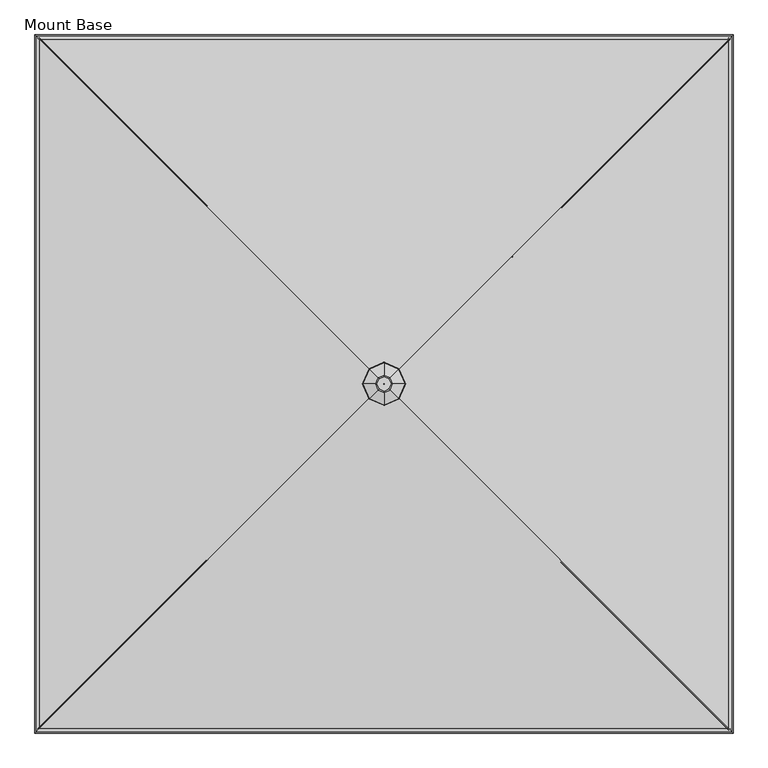
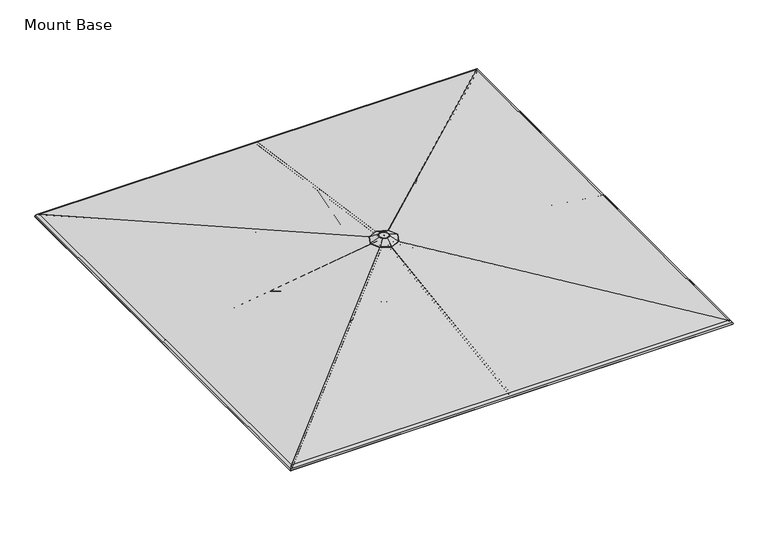
"""IFC4 building model written with IfcOpenShell, lengths in millimetres: furniture geometry, Mount Base."""

from ifc_helpers import new_model, si_unit, point, frame, frame_2d, origin, place, context, project, spatial, polyline, circle_curve, ellipse_curve, trimmed, segment, composite_curve, outline, extrude, source, transform, mapped, element, save
from ifc_brep_helpers import plane_surface, cylinder_surface, revolved_surface, advanced_brep


def mount_base_e68be11f(model_context):
    return source(origin(), model_context, "Body", "SolidModel", [
        extrude(outline(composite_curve([segment(polyline([(12.9834408, -8.4804821), (12.9834408, -22.8946349)]), True, "CONTINUOUS"), segment(trimmed(circle_curve(frame_2d((4.0299408, -22.8946349)), 8.9535), [point((12.9834408, -22.8946349))], [point((-4.9235592, -22.8946349))], False, "CARTESIAN"), True, "CONTINUOUS"), segment(polyline([(-4.9235592, -22.8946349), (-4.9235592, -8.4804821)]), True, "CONTINUOUS"), segment(trimmed(circle_curve(frame_2d((4.0299408, -8.4804821)), 8.9535), [point((-4.9235592, -8.4804821))], [point((12.9834408, -8.4804821))], False, "CARTESIAN"), True, "CONTINUOUS")], self_intersect=False)), frame((4.0299408, -69.1305274, 2310.8920368), z_axis=(0.0, -0.9563047559630357, 0.2923717047227364), x_axis=(-1.0, 0.0, 0.0)), (0.0, 0.0, 1.0), 1293.3560002),
        extrude(outline(composite_curve([segment(polyline([(12.9834408, -8.4804821), (12.9834408, -22.8946349)]), True, "CONTINUOUS"), segment(trimmed(circle_curve(frame_2d((4.0299408, -22.8946349)), 8.9535), [point((12.9834408, -22.8946349))], [point((-4.9235592, -22.8946349))], False, "CARTESIAN"), True, "CONTINUOUS"), segment(polyline([(-4.9235592, -22.8946349), (-4.9235592, -8.4804821)]), True, "CONTINUOUS"), segment(trimmed(circle_curve(frame_2d((4.0299408, -8.4804821)), 8.9535), [point((-4.9235592, -8.4804821))], [point((12.9834408, -8.4804821))], False, "CARTESIAN"), True, "CONTINUOUS")], self_intersect=False)), frame((-65.1005867, -8.0598816, 2310.8920368), z_axis=(-0.9563047559630357, 0.0, 0.2923717047227364), x_axis=(0.0, 1.0, 0.0)), (0.0, 0.0, 1.0), 1293.3560002),
        extrude(outline(composite_curve([segment(polyline([(12.9834408, -8.4804821), (12.9834408, -22.8946349)]), True, "CONTINUOUS"), segment(trimmed(circle_curve(frame_2d((4.0299408, -22.8946349)), 8.9535), [point((12.9834408, -22.8946349))], [point((-4.9235592, -22.8946349))], False, "CARTESIAN"), True, "CONTINUOUS"), segment(polyline([(-4.9235592, -22.8946349), (-4.9235592, -8.4804821)]), True, "CONTINUOUS"), segment(trimmed(circle_curve(frame_2d((4.0299408, -8.4804821)), 8.9535), [point((-4.9235592, -8.4804821))], [point((12.9834408, -8.4804821))], False, "CARTESIAN"), True, "CONTINUOUS")], self_intersect=False)), frame((-4.0299408, 61.0706459, 2310.8920368), z_axis=(0.0, 0.9563047559630357, 0.2923717047227364), x_axis=(1.0, 0.0, 0.0)), (0.0, 0.0, 1.0), 1293.3560002),
        extrude(outline(composite_curve([segment(trimmed(circle_curve(frame_2d((4.0299408, 7.3267917)), 8.9535), [point((12.9834408, 7.3267917))], [point((-4.9235592, 7.3267917))], False, "CARTESIAN"), True, "CONTINUOUS"), segment(polyline([(-4.9235592, 7.3267917), (-4.9235592, 21.7411303)]), True, "CONTINUOUS"), segment(trimmed(circle_curve(frame_2d((4.0299408, 21.7411303)), 8.9535), [point((-4.9235592, 21.7411303))], [point((12.9834408, 21.7411303))], False, "CARTESIAN"), True, "CONTINUOUS"), segment(polyline([(12.9834408, 21.7411303), (12.9834408, 7.3267917)]), True, "CONTINUOUS")], self_intersect=False)), frame((4.0299408, -2495.6912054, 2517.1977127), z_axis=(0.0, 0.9897424604574476, 0.14286308819158905), x_axis=(-1.0, 0.0, 0.0)), (0.0, 0.0, 1.0), 2438.4),
        extrude(outline(composite_curve([segment(trimmed(circle_curve(frame_2d((4.0299408, 7.3267917)), 8.9535), [point((12.9834408, 7.3267917))], [point((-4.9235592, 7.3267917))], False, "CARTESIAN"), True, "CONTINUOUS"), segment(polyline([(-4.9235592, 7.3267917), (-4.9235592, 21.7411303)]), True, "CONTINUOUS"), segment(trimmed(circle_curve(frame_2d((4.0299408, 21.7411303)), 8.9535), [point((-4.9235592, 21.7411303))], [point((12.9834408, 21.7411303))], False, "CARTESIAN"), True, "CONTINUOUS"), segment(polyline([(12.9834408, 21.7411303), (12.9834408, 7.3267917)]), True, "CONTINUOUS")], self_intersect=False)), frame((-2491.6612646, -8.0598816, 2517.1977127), z_axis=(0.9897424604574476, 0.0, 0.14286308819158905), x_axis=(0.0, 1.0, 0.0)), (0.0, 0.0, 1.0), 2438.4),
        extrude(outline(composite_curve([segment(trimmed(circle_curve(frame_2d((4.0299408, 7.3267917)), 8.9535), [point((12.9834408, 7.3267917))], [point((-4.9235592, 7.3267917))], False, "CARTESIAN"), True, "CONTINUOUS"), segment(polyline([(-4.9235592, 7.3267917), (-4.9235592, 21.7411303)]), True, "CONTINUOUS"), segment(trimmed(circle_curve(frame_2d((4.0299408, 21.7411303)), 8.9535), [point((-4.9235592, 21.7411303))], [point((12.9834408, 21.7411303))], False, "CARTESIAN"), True, "CONTINUOUS"), segment(polyline([(12.9834408, 21.7411303), (12.9834408, 7.3267917)]), True, "CONTINUOUS")], self_intersect=False)), frame((-4.0299408, 2487.6313238, 2517.1977127), z_axis=(0.0, -0.9897424604574476, 0.14286308819158905), x_axis=(1.0, 0.0, 0.0)), (0.0, 0.0, 1.0), 2438.4),
        extrude(outline(composite_curve([segment(trimmed(circle_curve(frame_2d((4.0299408, 7.3267917)), 8.9535), [point((12.9834408, 7.3267917))], [point((-4.9235592, 7.3267917))], False, "CARTESIAN"), True, "CONTINUOUS"), segment(polyline([(-4.9235592, 7.3267917), (-4.9235592, 21.7411303)]), True, "CONTINUOUS"), segment(trimmed(circle_curve(frame_2d((4.0299408, 21.7411303)), 8.9535), [point((-4.9235592, 21.7411303))], [point((12.9834408, 21.7411303))], False, "CARTESIAN"), True, "CONTINUOUS"), segment(polyline([(12.9834408, 21.7411303), (12.9834408, 7.3267917)]), True, "CONTINUOUS")], self_intersect=False)), frame((2491.6612646, 0.0, 2517.1977127), z_axis=(-0.9897424604574476, 0.0, 0.14286308819158905), x_axis=(0.0, -1.0, 0.0)), (0.0, 0.0, 1.0), 2438.4),
        extrude(outline(composite_curve([segment(polyline([(12.9834408, -8.4804821), (12.9834408, -22.8946349)]), True, "CONTINUOUS"), segment(trimmed(circle_curve(frame_2d((4.0299408, -22.8946349)), 8.9535), [point((12.9834408, -22.8946349))], [point((-4.9235592, -22.8946349))], False, "CARTESIAN"), True, "CONTINUOUS"), segment(polyline([(-4.9235592, -22.8946349), (-4.9235592, -8.4804821)]), True, "CONTINUOUS"), segment(trimmed(circle_curve(frame_2d((4.0299408, -8.4804821)), 8.9535), [point((-4.9235592, -8.4804821))], [point((12.9834408, -8.4804821))], False, "CARTESIAN"), True, "CONTINUOUS")], self_intersect=False)), frame((65.1005867, 0.0, 2310.8920368), z_axis=(0.9563047559630357, 0.0, 0.2923717047227364), x_axis=(0.0, -1.0, 0.0)), (0.0, 0.0, 1.0), 1293.3560002),
        extrude(outline(composite_curve([segment(trimmed(circle_curve(frame_2d((-0.4115857, 9.2017124)), 8.947892), [point((8.536306, 9.1998753))], [point((-9.3594776, 9.2035513))], False, "CARTESIAN"), True, "CONTINUOUS"), segment(polyline([(-9.3594776, 9.2035513), (-9.3566119, 23.1461249)]), True, "CONTINUOUS"), segment(trimmed(circle_curve(frame_2d((-0.4087215, 23.1461249)), 8.9478905), [point((-9.3566119, 23.1461249))], [point((8.539169, 23.1457573))], False, "CARTESIAN"), True, "CONTINUOUS"), segment(polyline([(8.539169, 23.1457573), (8.536306, 9.1998753)]), True, "CONTINUOUS")], self_intersect=False)), frame((43.0226256, -47.0678655, 2309.5293051), z_axis=(0.6687574107704106, -0.6689952252123499, 0.3243592363148204), x_axis=(0.7072324735233253, 0.7069810665032544, 0.0)), (0.0, 0.0, 1.0), 1323.4039678),
        extrude(outline(composite_curve([segment(trimmed(circle_curve(frame_2d((-0.4115857, 9.2017124)), 8.947892), [point((8.536306, 9.1998755))], [point((-9.3594774, 9.2035514))], False, "CARTESIAN"), True, "CONTINUOUS"), segment(polyline([(-9.3594774, 9.2035514), (-9.3566116, 23.1461249)]), True, "CONTINUOUS"), segment(trimmed(circle_curve(frame_2d((-0.4087214, 23.1461249)), 8.9478901), [point((-9.3566116, 23.1461249))], [point((8.5391687, 23.1457573))], False, "CARTESIAN"), True, "CONTINUOUS"), segment(polyline([(8.5391687, 23.1457573), (8.536306, 9.1998755)]), True, "CONTINUOUS")], self_intersect=False)), frame((-43.0379247, -47.0525663, 2309.5293051), z_axis=(-0.6689952252123578, -0.6687574107704027, 0.32435923631482055), x_axis=(0.7069810665032461, -0.7072324735233336, 0.0)), (0.0, 0.0, 1.0), 1323.4039678),
        extrude(outline(composite_curve([segment(trimmed(circle_curve(frame_2d((-0.4115858, 9.2017124)), 8.947892), [point((8.536306, 9.1998755))], [point((-9.3594776, 9.2035514))], False, "CARTESIAN"), True, "CONTINUOUS"), segment(polyline([(-9.3594776, 9.2035514), (-9.3566116, 23.1461249)]), True, "CONTINUOUS"), segment(trimmed(circle_curve(frame_2d((-0.4087215, 23.1461249)), 8.9478901), [point((-9.3566116, 23.1461249))], [point((8.5391686, 23.1457573))], False, "CARTESIAN"), True, "CONTINUOUS"), segment(polyline([(8.5391686, 23.1457573), (8.536306, 9.1998755)]), True, "CONTINUOUS")], self_intersect=False)), frame((-43.0226256, 39.0079839, 2309.5293051), z_axis=(-0.6687574107704083, 0.6689952252123523, 0.3243592363148205), x_axis=(-0.7072324735233279, -0.7069810665032519, 0.0)), (0.0, 0.0, 1.0), 1323.4039678),
        extrude(outline(composite_curve([segment(trimmed(circle_curve(frame_2d((-0.4115857, 9.2017124)), 8.947892), [point((8.536306, 9.1998755))], [point((-9.3594775, 9.2035515))], False, "CARTESIAN"), True, "CONTINUOUS"), segment(polyline([(-9.3594775, 9.2035515), (-9.3566116, 23.1461249)]), True, "CONTINUOUS"), segment(trimmed(circle_curve(frame_2d((-0.4087215, 23.1461249)), 8.9478901), [point((-9.3566116, 23.1461249))], [point((8.5391687, 23.1457573))], False, "CARTESIAN"), True, "CONTINUOUS"), segment(polyline([(8.5391687, 23.1457573), (8.536306, 9.1998755)]), True, "CONTINUOUS")], self_intersect=False)), frame((43.0379247, 38.9926848, 2309.5293051), z_axis=(0.6689952252123469, 0.6687574107704137, 0.32435923631482044), x_axis=(-0.7069810665032576, 0.7072324735233221, 0.0)), (0.0, 0.0, 1.0), 1323.4039678),
        extrude(outline(composite_curve([segment(trimmed(circle_curve(frame_2d((0.0454336, -8.9661607)), 8.9535016), [point((-8.9080678, -8.9644053))], [point((8.9989351, -8.9679162))], False, "CARTESIAN"), True, "CONTINUOUS"), segment(polyline([(8.9989351, -8.9679162), (8.9961217, -23.3170803)]), True, "CONTINUOUS"), segment(trimmed(circle_curve(frame_2d((0.0426202, -23.3153248)), 8.9535016), [point((8.9961217, -23.3170803))], [point((-8.9108812, -23.3135694))], False, "CARTESIAN"), True, "CONTINUOUS"), segment(polyline([(-8.9108812, -23.3135694), (-8.9080678, -8.9644053)]), True, "CONTINUOUS")], self_intersect=False)), frame((2490.2990587, -2494.7117684, 2516.4579625), z_axis=(-0.7035386895698269, 0.7035386895699227, 0.10033256976977586), x_axis=(0.7071067811865956, 0.7071067811864994, 0.0)), (0.0, 0.0, 1.0), 3457.2861455),
        extrude(outline(composite_curve([segment(trimmed(circle_curve(frame_2d((0.0454336, -8.9661607)), 8.9535016), [point((-8.9080679, -8.9644053))], [point((8.9989351, -8.9679162))], False, "CARTESIAN"), True, "CONTINUOUS"), segment(polyline([(8.9989351, -8.9679162), (8.9961217, -23.3170803)]), True, "CONTINUOUS"), segment(trimmed(circle_curve(frame_2d((0.0426202, -23.3153248)), 8.9535016), [point((8.9961217, -23.3170803))], [point((-8.9108812, -23.3135694))], False, "CARTESIAN"), True, "CONTINUOUS"), segment(polyline([(-8.9108812, -23.3135694), (-8.9080679, -8.9644053)]), True, "CONTINUOUS")], self_intersect=False)), frame((-2490.6818276, -2494.3289995, 2516.4579625), z_axis=(0.7035386895699309, 0.7035386895698185, 0.10033256976977578), x_axis=(0.7071067811864911, -0.7071067811866041, 0.0)), (0.0, 0.0, 1.0), 3457.2861455),
        extrude(outline(composite_curve([segment(trimmed(circle_curve(frame_2d((0.0454337, -8.9661607)), 8.9535016), [point((-8.9080678, -8.9644053))], [point((8.9989351, -8.9679162))], False, "CARTESIAN"), True, "CONTINUOUS"), segment(polyline([(8.9989351, -8.9679162), (8.9961217, -23.3170803)]), True, "CONTINUOUS"), segment(trimmed(circle_curve(frame_2d((0.0426203, -23.3153248)), 8.9535016), [point((8.9961217, -23.3170803))], [point((-8.9108811, -23.3135694))], False, "CARTESIAN"), True, "CONTINUOUS"), segment(polyline([(-8.9108811, -23.3135694), (-8.9080678, -8.9644053)]), True, "CONTINUOUS")], self_intersect=False)), frame((-2490.2990587, 2486.6518869, 2516.4579625), z_axis=(0.7035386895698243, -0.7035386895699253, 0.10033256976977584), x_axis=(-0.7071067811865983, -0.7071067811864968, 0.0)), (0.0, 0.0, 1.0), 3457.2861455),
        extrude(outline(composite_curve([segment(trimmed(circle_curve(frame_2d((0.0454337, -8.9661607)), 8.9535016), [point((-8.9080679, -8.9644053))], [point((8.9989351, -8.9679162))], False, "CARTESIAN"), True, "CONTINUOUS"), segment(polyline([(8.9989351, -8.9679162), (8.9961217, -23.3170803)]), True, "CONTINUOUS"), segment(trimmed(circle_curve(frame_2d((0.0426202, -23.3153248)), 8.9535016), [point((8.9961217, -23.3170803))], [point((-8.9108812, -23.3135694))], False, "CARTESIAN"), True, "CONTINUOUS"), segment(polyline([(-8.9108812, -23.3135694), (-8.9080679, -8.9644053)]), True, "CONTINUOUS")], self_intersect=False)), frame((2490.6818276, 2486.2691179, 2516.4579625), z_axis=(-0.7035386895699195, -0.7035386895698301, 0.10033256976977584), x_axis=(-0.7071067811865026, 0.7071067811865924, 0.0)), (0.0, 0.0, 1.0), 3457.2861455),
        advanced_brep(
        [(-40.867282, -4.0299408, 2871.385269), (40.867282, -4.0299408, 2871.385269), (40.867282, -4.0299408, 2334.4822151), (-40.867282, -4.0299408, 2334.4822151), (0.0, -4.0299408, 2871.385269), (0.0, -4.0299408, 2334.4822151)],
        [
            (0, 1, circle_curve(frame((0.0, -4.0299408, 2871.385269), z_axis=(0.0, 0.0, -1.0), x_axis=(1.0, 0.0, 0.0)), 40.867282)),
            (1, 2),
            (2, 3, circle_curve(frame((0.0, -4.0299408, 2334.4822151), z_axis=(0.0, 0.0, 1.0), x_axis=(1.0, 0.0, 0.0)), 40.867282)),
            (3, 0),
            (1, 0, circle_curve(frame((0.0, -4.0299408, 2871.385269), z_axis=(0.0, 0.0, -1.0), x_axis=(1.0, 0.0, 0.0)), 40.867282)),
            (3, 2, circle_curve(frame((0.0, -4.0299408, 2334.4822151), z_axis=(0.0, 0.0, 1.0), x_axis=(1.0, 0.0, 0.0)), 40.867282)),
            (4, 1),
            (0, 4),
            (2, 5),
            (5, 3),
        ],
        [
            cylinder_surface(frame((0.0, -4.0299408, 3090.2909748), z_axis=(0.0, 0.0, 1.0), x_axis=(1.0, 0.0, 0.0)), 40.867282),
            plane_surface(frame((0.0, -4.0299408, 2871.385269), z_axis=(0.0, 0.0, 1.0), x_axis=(1.0, 0.0, 0.0))),
            plane_surface(frame((0.0, -4.0299408, 2334.4822151), z_axis=(0.0, 0.0, -1.0), x_axis=(1.0, 0.0, 0.0))),
        ],
        [
            (0, [[1, 2, 3, 4]]),
            (0, [[5, -4, 6, -2]]),
            (1, [[7, -1, 8]]),
            (1, [[-8, -5, -7]]),
            (2, [[-3, 9, 10]]),
            (2, [[-6, -10, -9]]),
        ],
    ),
        advanced_brep(
        [(-58.7349315, -4.0299408, 2310.098093), (58.7349315, -4.0299408, 2310.098093), (51.3054317, -4.0299408, 2292.3499031), (-51.3054317, -4.0299408, 2292.3499031), (-58.7349315, -4.0299408, 2335.4981415), (58.7349315, -4.0299408, 2335.4981415), (0.0, -4.0299408, 2335.4981415), (-50.392282, -4.0299408, 2165.3499516), (50.392282, -4.0299408, 2165.3499516), (0.0, -4.0299408, 2165.3499516), (-58.2510683, -4.0299408, 2171.6998547), (58.2510683, -4.0299408, 2171.6998547), (-44.8554107, -4.0299408, 2292.3499031), (44.8554107, -4.0299408, 2292.3499031)],
        [
            (0, 1, circle_curve(frame((0.0, -4.0299408, 2310.098093), z_axis=(0.0, 0.0, -1.0), x_axis=(1.0, 0.0, 0.0)), 58.7349315)),
            (1, 2, circle_curve(frame((43.6558497, -4.0299408, 2305.9811762), z_axis=(0.0, 1.0, 0.0), x_axis=(1.0, 0.0, 0.0)), 15.6309856)),
            (2, 3, circle_curve(frame((0.0, -4.0299408, 2292.3499031), z_axis=(0.0, 0.0, 1.0), x_axis=(1.0, 0.0, 0.0)), 51.3054317)),
            (3, 0, circle_curve(frame((-43.6558497, -4.0299408, 2305.9811762), z_axis=(0.0, 1.0, 0.0), x_axis=(-1.0, 0.0, 0.0)), 15.6309856)),
            (1, 0, circle_curve(frame((0.0, -4.0299408, 2310.098093), z_axis=(0.0, 0.0, -1.0), x_axis=(1.0, 0.0, 0.0)), 58.7349315)),
            (3, 2, circle_curve(frame((0.0, -4.0299408, 2292.3499031), z_axis=(0.0, 0.0, 1.0), x_axis=(1.0, 0.0, 0.0)), 51.3054317)),
            (4, 5, circle_curve(frame((0.0, -4.0299408, 2335.4981415), z_axis=(0.0, 0.0, -1.0), x_axis=(1.0, 0.0, 0.0)), 58.7349315)),
            (5, 1, circle_curve(frame((52.8666055, -4.0299408, 2322.7981173), z_axis=(0.0, 1.0, 0.0), x_axis=(1.0, 0.0, 0.0)), 13.9902775)),
            (0, 4, circle_curve(frame((-52.8666055, -4.0299408, 2322.7981173), z_axis=(0.0, 1.0, 0.0), x_axis=(-1.0, 0.0, 0.0)), 13.9902775)),
            (5, 4, circle_curve(frame((0.0, -4.0299408, 2335.4981415), z_axis=(0.0, 0.0, -1.0), x_axis=(1.0, 0.0, 0.0)), 58.7349315)),
            (6, 5),
            (4, 6),
            (7, 8, circle_curve(frame((0.0, -4.0299408, 2165.3499516), z_axis=(0.0, 0.0, -1.0), x_axis=(1.0, 0.0, 0.0)), 50.392282)),
            (8, 9),
            (9, 7),
            (8, 7, circle_curve(frame((0.0, -4.0299408, 2165.3499516), z_axis=(0.0, 0.0, -1.0), x_axis=(1.0, 0.0, 0.0)), 50.392282)),
            (10, 11, circle_curve(frame((0.0, -4.0299408, 2171.6998547), z_axis=(0.0, 0.0, -1.0), x_axis=(1.0, 0.0, 0.0)), 58.2510683)),
            (11, 8),
            (7, 10),
            (11, 10, circle_curve(frame((0.0, -4.0299408, 2171.6998547), z_axis=(0.0, 0.0, -1.0), x_axis=(1.0, 0.0, 0.0)), 58.2510683)),
            (12, 13, circle_curve(frame((0.0, -4.0299408, 2292.3499031), z_axis=(0.0, 0.0, -1.0), x_axis=(1.0, 0.0, 0.0)), 44.8554107)),
            (13, 11),
            (10, 12),
            (13, 12, circle_curve(frame((0.0, -4.0299408, 2292.3499031), z_axis=(0.0, 0.0, -1.0), x_axis=(1.0, 0.0, 0.0)), 44.8554107)),
            (2, 13),
            (12, 3),
        ],
        [
            revolved_surface(trimmed(ellipse_curve(frame((43.6558497, -4.0299408, 2305.9811762), z_axis=(0.0, -1.0, 0.0), x_axis=(1.0, 0.0, 0.0)), 15.6309856, 15.6309856), [point((51.3054317, -4.0299408, 2292.3499031))], [point((58.7349315, -4.0299408, 2310.098093))], True, "CARTESIAN"), (0.0, -4.0299408, 2404.1943844), (0.0, 0.0, 1.0)),
            revolved_surface(trimmed(ellipse_curve(frame((52.8666055, -4.0299408, 2322.7981173), z_axis=(0.0, -1.0, 0.0), x_axis=(1.0, 0.0, 0.0)), 13.9902775, 13.9902775), [point((58.7349315, -4.0299408, 2310.098093))], [point((58.7349315, -4.0299408, 2335.4981415))], True, "CARTESIAN"), (0.0, -4.0299408, 2404.1943844), (0.0, 0.0, 1.0)),
            plane_surface(frame((0.0, -4.0299408, 2335.4981415), z_axis=(0.0, 0.0, 1.0), x_axis=(1.0, 0.0, 0.0))),
            plane_surface(frame((0.0, -4.0299408, 2165.3499516), z_axis=(0.0, 0.0, -1.0), x_axis=(1.0, 0.0, 0.0))),
            revolved_surface(polyline([(50.392282, -4.0299408, 2165.3499516), (58.2510683, -4.0299408, 2171.6998547)]), (0.0, -4.0299408, 2404.1943844), (0.0, 0.0, 1.0)),
            revolved_surface(polyline([(58.2510683, -4.0299408, 2171.6998547), (44.8554107, -4.0299408, 2292.3499031)]), (0.0, -4.0299408, 2404.1943844), (0.0, 0.0, 1.0)),
            plane_surface(frame((0.0, -4.0299408, 2292.3499031), z_axis=(0.0, 0.0, -1.0), x_axis=(1.0, 0.0, 0.0))),
        ],
        [
            (0, [[1, 2, 3, 4]]),
            (0, [[5, -4, 6, -2]]),
            (1, [[7, 8, -1, 9]]),
            (1, [[10, -9, -5, -8]]),
            (2, [[11, -7, 12]]),
            (2, [[-12, -10, -11]]),
            (3, [[13, 14, 15]]),
            (3, [[16, -15, -14]]),
            (4, [[17, 18, -13, 19]]),
            (4, [[20, -19, -16, -18]]),
            (5, [[21, 22, -17, 23]]),
            (5, [[24, -23, -20, -22]]),
            (6, [[-3, 25, -21, 26]]),
            (6, [[-6, -26, -24, -25]]),
        ],
    ),
        advanced_brep(
        [(-85.5307046, -4.0299408, 2870.2), (85.5307046, -4.0299408, 2870.2), (0.0, -4.0299408, 2870.2), (-85.5307046, -4.0299408, 2895.6), (85.5307046, -4.0299408, 2895.6), (0.0, -4.0299408, 2895.6)],
        [
            (0, 1, circle_curve(frame((0.0, -4.0299408, 2870.2), z_axis=(0.0, 0.0, -1.0), x_axis=(1.0, 0.0, 0.0)), 85.5307046)),
            (1, 2),
            (2, 0),
            (1, 0, circle_curve(frame((0.0, -4.0299408, 2870.2), z_axis=(0.0, 0.0, -1.0), x_axis=(1.0, 0.0, 0.0)), 85.5307046)),
            (3, 4, circle_curve(frame((0.0, -4.0299408, 2895.6), z_axis=(0.0, 0.0, -1.0), x_axis=(1.0, 0.0, 0.0)), 85.5307046)),
            (4, 1, circle_curve(frame((85.5307046, -4.0299408, 2882.9), z_axis=(0.0, 1.0, 0.0), x_axis=(1.0, 0.0, 0.0)), 12.7)),
            (0, 3, circle_curve(frame((-85.5307046, -4.0299408, 2882.9), z_axis=(0.0, 1.0, 0.0), x_axis=(-1.0, 0.0, 0.0)), 12.7)),
            (4, 3, circle_curve(frame((0.0, -4.0299408, 2895.6), z_axis=(0.0, 0.0, -1.0), x_axis=(1.0, 0.0, 0.0)), 85.5307046)),
            (5, 4),
            (3, 5),
        ],
        [
            plane_surface(frame((0.0, -4.0299408, 2870.2), z_axis=(0.0, 0.0, -1.0), x_axis=(1.0, 0.0, 0.0))),
            revolved_surface(trimmed(ellipse_curve(frame((85.5307046, -4.0299408, 2882.9), z_axis=(0.0, -1.0, 0.0), x_axis=(1.0, 0.0, 0.0)), 12.7, 12.7), [point((85.5307046, -4.0299408, 2870.2))], [point((85.5307046, -4.0299408, 2895.6))], True, "CARTESIAN"), (0.0, -4.0299408, 2876.5500484), (0.0, 0.0, 1.0)),
            plane_surface(frame((0.0, -4.0299408, 2895.6), z_axis=(0.0, 0.0, 1.0), x_axis=(1.0, 0.0, 0.0))),
        ],
        [
            (0, [[1, 2, 3]]),
            (0, [[4, -3, -2]]),
            (1, [[5, 6, -1, 7]]),
            (1, [[8, -7, -4, -6]]),
            (2, [[9, -5, 10]]),
            (2, [[-10, -8, -9]]),
        ],
    ),
        advanced_brep(
        [(51.4758641, -4.0299408, 2941.1390808), (35.9138192, 31.8838784, 2941.1390808), (0.0, 47.4459233, 2941.1390808), (-35.9138192, 31.8838784, 2941.1390808), (-51.4758641, -4.0299408, 2941.1390808), (-35.9138192, -39.94376, 2941.1390808), (0.0, -55.5058049, 2941.1390808), (35.9138192, -39.94376, 2941.1390808), (-0.2799193, -3.7500215, 2941.1390808), (0.0, -3.6287279, 2941.1390808), (0.2799193, -3.7500215, 2941.1390808), (0.4012128, -4.0299408, 2941.1390808), (0.2799193, -4.30986, 2941.1390808), (0.0, -4.4311536, 2941.1390808), (-0.2799193, -4.30986, 2941.1390808), (-0.4012128, -4.0299408, 2941.1390808), (-19.7877165, 15.7577757, 2926.6210691), (0.0, 24.3321167, 2926.6210691), (19.7877165, 15.7577757, 2926.6210691), (28.3620575, -4.0299408, 2926.6210691), (19.7877165, -23.8176572, 2926.6210691), (0.0, -32.3919982, 2926.6210691), (-19.7877165, -23.8176572, 2926.6210691), (-28.3620575, -4.0299408, 2926.6210691), (0.4012128, -4.0299408, 2926.6210691), (0.2799193, -3.7500215, 2926.6210691), (0.0, -3.6287279, 2926.6210691), (-0.2799193, -3.7500215, 2926.6210691), (-0.4012128, -4.0299408, 2926.6210691), (-0.2799193, -4.30986, 2926.6210691), (0.0, -4.4311536, 2926.6210691), (0.2799193, -4.30986, 2926.6210691), (-106.9123029, 102.8823621, 2893.6969352), (-153.2391514, -4.0299408, 2893.6969352), (-106.9123029, -110.9422437, 2893.6969352), (0.0, -157.2690921, 2893.6969352), (106.9123029, -110.9422437, 2893.6969352), (153.2391514, -4.0299408, 2893.6969352), (106.9123029, 102.8823621, 2893.6969352), (0.0, 149.2092106, 2893.6969352), (-107.6794299, 103.6494891, 2896.2723479), (-154.338687, -4.0299408, 2896.2723479), (-43.6583603, 39.6284195, 2938.7170186), (-62.5762415, -4.0299408, 2938.7170186), (-107.6794299, -111.7093707, 2896.2723479), (-43.6583603, -47.6883011, 2938.7170186), (0.0, -158.3686278, 2896.2723479), (0.0, -66.6061823, 2938.7170186), (107.6794299, -111.7093707, 2896.2723479), (43.6583603, -47.6883011, 2938.7170186), (154.338687, -4.0299408, 2896.2723479), (62.5762415, -4.0299408, 2938.7170186), (107.6794299, 103.6494891, 2896.2723479), (43.6583603, 39.6284195, 2938.7170186), (0.0, 150.3087462, 2896.2723479), (0.0, 58.5463007, 2938.7170186)],
        [
            (0, 1),
            (1, 2),
            (2, 3),
            (3, 4),
            (4, 5),
            (5, 6),
            (6, 7),
            (7, 0),
            (8, 9),
            (9, 10),
            (10, 11),
            (11, 12),
            (12, 13),
            (13, 14),
            (14, 15),
            (15, 8),
            (16, 17),
            (17, 18),
            (18, 19),
            (19, 20),
            (20, 21),
            (21, 22),
            (22, 23),
            (23, 16),
            (24, 25),
            (25, 26),
            (26, 27),
            (27, 28),
            (28, 29),
            (29, 30),
            (30, 31),
            (31, 24),
            (27, 8),
            (15, 28),
            (14, 29),
            (13, 30),
            (12, 31),
            (11, 24),
            (10, 25),
            (9, 26),
            (32, 16),
            (23, 33),
            (33, 32),
            (22, 34),
            (34, 33),
            (21, 35),
            (35, 34),
            (20, 36),
            (36, 35),
            (19, 37),
            (37, 36),
            (18, 38),
            (38, 37),
            (17, 39),
            (39, 38),
            (32, 39),
            (40, 32, ellipse_curve(frame((-107.203988, 103.1740472, 2895.0319772), z_axis=(-0.7071067811865479, -0.707106781186547, 0.0), x_axis=(-0.7071067811865467, 0.7071067811865482, 0.0)), 1.4936871, 1.3890625)),
            (33, 41, ellipse_curve(frame((-153.6572284, -4.0299408, 2895.0319772), z_axis=(0.0, 0.9999999999999999, 0.0), x_axis=(1.0, 0.0, 0.0)), 1.5138634, 1.3890625)),
            (41, 40),
            (42, 40),
            (41, 43),
            (43, 42),
            (3, 42, ellipse_curve(frame((-35.9138192, 31.8838784, 2918.5124425), z_axis=(-0.7071067811865479, -0.707106781186547, 0.0), x_axis=(-0.7071067811865467, 0.7071067811865483, 0.0)), 24.3308838, 22.6266383)),
            (43, 4, ellipse_curve(frame((-51.4758641, -4.0299408, 2918.5124425), z_axis=(0.0, 0.9999999999999999, 0.0), x_axis=(1.0, 0.0, 0.0)), 24.6595383, 22.6266383)),
            (34, 44, ellipse_curve(frame((-107.203988, -111.2339288, 2895.0319772), z_axis=(-0.707106781186547, 0.707106781186548, 0.0), x_axis=(0.7071067811865479, 0.707106781186547, 0.0)), 1.4936871, 1.3890625)),
            (44, 41),
            (44, 45),
            (45, 43),
            (45, 5, ellipse_curve(frame((-35.9138192, -39.94376, 2918.5124425), z_axis=(-0.707106781186547, 0.707106781186548, 0.0), x_axis=(0.7071067811865479, 0.707106781186547, 0.0)), 24.3308838, 22.6266383)),
            (35, 46, ellipse_curve(frame((0.0, -157.6871692, 2895.0319772), z_axis=(-0.9999999999999999, 0.0, 0.0), x_axis=(0.0, 1.0, 0.0)), 1.5138634, 1.3890625)),
            (46, 44),
            (46, 47),
            (47, 45),
            (47, 6, ellipse_curve(frame((0.0, -55.5058049, 2918.5124425), z_axis=(-0.9999999999999999, 0.0, 0.0), x_axis=(0.0, 1.0, 0.0)), 24.6595383, 22.6266383)),
            (36, 48, ellipse_curve(frame((107.203988, -111.2339288, 2895.0319772), z_axis=(-0.707106781186548, -0.707106781186547, 0.0), x_axis=(-0.7071067811865469, 0.7071067811865481, 0.0)), 1.4936871, 1.3890625)),
            (48, 46),
            (48, 49),
            (49, 47),
            (49, 7, ellipse_curve(frame((35.9138192, -39.94376, 2918.5124425), z_axis=(-0.707106781186548, -0.707106781186547, 0.0), x_axis=(-0.7071067811865469, 0.7071067811865481, 0.0)), 24.3308838, 22.6266383)),
            (37, 50, ellipse_curve(frame((153.6572284, -4.0299408, 2895.0319772), z_axis=(0.0, -1.0, 0.0), x_axis=(-1.0, 0.0, 0.0)), 1.5138634, 1.3890625)),
            (50, 48),
            (50, 51),
            (51, 49),
            (51, 0, ellipse_curve(frame((51.4758641, -4.0299408, 2918.5124425), z_axis=(0.0, -1.0, 0.0), x_axis=(-1.0, 0.0, 0.0)), 24.6595383, 22.6266383)),
            (38, 52, ellipse_curve(frame((107.203988, 103.1740472, 2895.0319772), z_axis=(0.707106781186547, -0.707106781186548, 0.0), x_axis=(-0.7071067811865478, -0.7071067811865471, 0.0)), 1.4936871, 1.3890625)),
            (52, 50),
            (52, 53),
            (53, 51),
            (53, 1, ellipse_curve(frame((35.9138192, 31.8838784, 2918.5124425), z_axis=(0.707106781186547, -0.707106781186548, 0.0), x_axis=(-0.7071067811865478, -0.7071067811865471, 0.0)), 24.3308838, 22.6266383)),
            (39, 54, ellipse_curve(frame((0.0, 149.6272876, 2895.0319772), z_axis=(0.9999999999999999, 0.0, 0.0), x_axis=(0.0, -1.0, 0.0)), 1.5138634, 1.3890625)),
            (54, 52),
            (54, 55),
            (55, 53),
            (55, 2, ellipse_curve(frame((0.0, 47.4459233, 2918.5124425), z_axis=(0.9999999999999999, 0.0, 0.0), x_axis=(0.0, -1.0, 0.0)), 24.6595383, 22.6266383)),
            (40, 54),
            (42, 55),
        ],
        [
            plane_surface(frame((0.0, 47.4459233, 2941.1390808), z_axis=(0.0, 0.0, 1.0), x_axis=(-0.9175613115760064, -0.39759431522460054, 0.0))),
            plane_surface(frame((0.0, -3.6287279, 2926.6210691), z_axis=(0.0, 0.0, -1.0000000000000002), x_axis=(-0.9175613115760258, -0.39759431522455585, 0.0))),
            plane_surface(frame((-0.2799193, -3.7500215, 2941.1390808), z_axis=(0.917561311576014, -0.3975943152245832, 0.0), x_axis=(-0.3975943152245832, -0.917561311576014, 0.0))),
            plane_surface(frame((-0.4012128, -4.0299408, 2941.1390808), z_axis=(0.9175613115760329, 0.3975943152245392, 0.0), x_axis=(0.3975943152245392, -0.9175613115760329, 0.0))),
            plane_surface(frame((-0.2799193, -4.30986, 2941.1390808), z_axis=(0.3975943152245435, 0.917561311576031, 0.0), x_axis=(0.917561311576031, -0.3975943152245435, 0.0))),
            plane_surface(frame((0.0, -4.4311536, 2941.1390808), z_axis=(-0.39759431522444033, 0.9175613115760758, 0.0), x_axis=(0.9175613115760758, 0.39759431522444033, 0.0))),
            plane_surface(frame((0.2799193, -4.30986, 2941.1390808), z_axis=(-0.9175613115760277, 0.39759431522455124, 0.0), x_axis=(0.39759431522455124, 0.9175613115760277, 0.0))),
            plane_surface(frame((0.4012128, -4.0299408, 2941.1390808), z_axis=(-0.9175613115760077, -0.39759431522459737, 0.0), x_axis=(-0.39759431522459737, 0.9175613115760077, 0.0))),
            plane_surface(frame((0.2799193, -3.7500215, 2941.1390808), z_axis=(-0.3975943152245927, -0.9175613115760097, 0.0), x_axis=(-0.9175613115760097, 0.3975943152245927, 0.0))),
            plane_surface(frame((0.0, -3.6287279, 2941.1390808), z_axis=(0.3975943152245838, -0.9175613115760136, 0.0), x_axis=(-0.9175613115760136, -0.3975943152245838, 0.0))),
            plane_surface(frame((-19.7877165, 15.7577757, 2926.6210691), z_axis=(0.2533988855278374, -0.10980187928485051, -0.9611100624375781), x_axis=(-0.39759431522460154, -0.917561311576006, 0.0))),
            plane_surface(frame((-28.3620575, -4.0299408, 2926.6210691), z_axis=(0.25339888552783774, 0.10980187928484993, -0.9611100624375781), x_axis=(0.3975943152245993, -0.917561311576007, 0.0))),
            plane_surface(frame((-19.7877165, -23.8176572, 2926.6210691), z_axis=(0.10980187928485025, 0.2533988855278376, -0.9611100624375781), x_axis=(0.9175613115760064, -0.3975943152246005, 0.0))),
            plane_surface(frame((0.0, -32.3919982, 2926.6210691), z_axis=(-0.10980187928485025, 0.2533988855278376, -0.9611100624375781), x_axis=(0.9175613115760064, 0.3975943152246005, 0.0))),
            plane_surface(frame((19.7877165, -23.8176572, 2926.6210691), z_axis=(-0.2533988855278375, 0.10980187928485045, -0.9611100624375781), x_axis=(0.39759431522460126, 0.9175613115760061, 0.0))),
            plane_surface(frame((28.3620575, -4.0299408, 2926.6210691), z_axis=(-0.25339888552783774, -0.1098018792848498, -0.9611100624375781), x_axis=(-0.397594315224599, 0.9175613115760071, 0.0))),
            plane_surface(frame((19.7877165, 15.7577757, 2926.6210691), z_axis=(-0.10980187928485026, -0.25339888552783746, -0.9611100624375781), x_axis=(-0.9175613115760063, 0.3975943152246007, 0.0))),
            plane_surface(frame((0.0, 24.3321167, 2926.6210691), z_axis=(0.1098018792848501, -0.2533988855278375, -0.961110062437578), x_axis=(-0.9175613115760065, -0.39759431522460015, 0.0))),
            cylinder_surface(frame((-107.3260139, 102.892438, 2895.0319772), z_axis=(0.3975943152246023, 0.9175613115760056, 0.0), x_axis=(0.9175613115760056, -0.3975943152246023, 0.0)), 1.3890625),
            plane_surface(frame((-107.6794299, 103.6494891, 2896.2723478), z_axis=(-0.4130359930210966, 0.17897524747012963, 0.8929552784222078), x_axis=(-0.39759431522460215, -0.9175613115760056, 0.0))),
            cylinder_surface(frame((-21.2976063, 65.6149227, 2918.5124425), z_axis=(0.39759431522460237, 0.9175613115760056, 0.0), x_axis=(0.9175613115760056, -0.39759431522460237, 0.0)), 22.6266383),
            cylinder_surface(frame((-153.5234893, -4.3385816, 2895.0319772), z_axis=(-0.39759431522459965, 0.9175613115760068, 0.0), x_axis=(0.9175613115760068, 0.39759431522459965, 0.0)), 1.3890625),
            plane_surface(frame((-154.338687, -4.0299408, 2896.2723478), z_axis=(-0.41303599302109706, -0.17897524747012847, 0.8929552784222078), x_axis=(0.3975943152245996, -0.9175613115760067, 0.0))),
            cylinder_surface(frame((-67.4950817, 32.9389337, 2918.5124425), z_axis=(-0.39759431522459965, 0.9175613115760068, 0.0), x_axis=(0.9175613115760068, 0.39759431522459965, 0.0)), 22.6266383),
            cylinder_surface(frame((-106.9223788, -111.3559546, 2895.0319772), z_axis=(-0.9175613115760063, 0.3975943152246009, 0.0), x_axis=(0.3975943152246009, 0.9175613115760063, 0.0)), 1.3890625),
            plane_surface(frame((-107.6794299, -111.7093706, 2896.2723478), z_axis=(-0.17897524747012905, -0.4130359930210967, 0.8929552784222079), x_axis=(0.9175613115760062, -0.3975943152246009, 0.0))),
            cylinder_surface(frame((-69.6448635, -25.3275471, 2918.5124425), z_axis=(-0.9175613115760063, 0.3975943152246009, 0.0), x_axis=(0.3975943152246009, 0.9175613115760063, 0.0)), 22.6266383),
            cylinder_surface(frame((0.3086408, -157.5534301, 2895.0319772), z_axis=(-0.9175613115760062, -0.3975943152246011, 0.0), x_axis=(-0.3975943152246011, 0.9175613115760062, 0.0)), 1.3890625),
            plane_surface(frame((0.0, -158.3686278, 2896.2723478), z_axis=(0.17897524747012905, -0.4130359930210967, 0.8929552784222079), x_axis=(0.9175613115760062, 0.397594315224601, 0.0))),
            cylinder_surface(frame((-36.9688745, -71.5250225, 2918.5124425), z_axis=(-0.9175613115760062, -0.3975943152246011, 0.0), x_axis=(-0.3975943152246011, 0.9175613115760062, 0.0)), 22.6266383),
            cylinder_surface(frame((107.3260139, -110.9523195, 2895.0319772), z_axis=(-0.3975943152246023, -0.9175613115760057, 0.0), x_axis=(-0.9175613115760057, 0.3975943152246023, 0.0)), 1.3890625),
            plane_surface(frame((107.6794299, -111.7093706, 2896.2723478), z_axis=(0.4130359930210964, -0.1789752474701296, 0.892955278422208), x_axis=(0.39759431522460226, 0.9175613115760056, 0.0))),
            cylinder_surface(frame((21.2976063, -73.6748043, 2918.5124425), z_axis=(-0.3975943152246023, -0.9175613115760057, 0.0), x_axis=(-0.9175613115760057, 0.3975943152246023, 0.0)), 22.6266383),
            cylinder_surface(frame((153.5234893, -3.7213, 2895.0319772), z_axis=(0.39759431522459965, -0.9175613115760066, 0.0), x_axis=(-0.9175613115760066, -0.39759431522459965, 0.0)), 1.3890625),
            plane_surface(frame((154.338687, -4.0299408, 2896.2723478), z_axis=(0.41303599302109684, 0.1789752474701284, 0.8929552784222079), x_axis=(-0.39759431522459965, 0.9175613115760067, 0.0))),
            cylinder_surface(frame((67.4950817, -40.9988153, 2918.5124425), z_axis=(0.39759431522459965, -0.9175613115760066, 0.0), x_axis=(-0.9175613115760066, -0.39759431522459965, 0.0)), 22.6266383),
            cylinder_surface(frame((106.9223788, 103.2960731, 2895.0319772), z_axis=(0.9175613115760062, -0.3975943152246008, 0.0), x_axis=(-0.3975943152246008, -0.9175613115760062, 0.0)), 1.3890625),
            plane_surface(frame((107.6794299, 103.6494891, 2896.2723478), z_axis=(0.178975247470129, 0.4130359930210965, 0.8929552784222079), x_axis=(-0.9175613115760062, 0.3975943152246011, 0.0))),
            cylinder_surface(frame((69.6448635, 17.2676655, 2918.5124425), z_axis=(0.9175613115760062, -0.3975943152246008, 0.0), x_axis=(-0.3975943152246008, -0.9175613115760062, 0.0)), 22.6266383),
            cylinder_surface(frame((-0.3086408, 149.4935485, 2895.0319772), z_axis=(0.9175613115760061, 0.39759431522460115, 0.0), x_axis=(0.39759431522460115, -0.9175613115760061, 0.0)), 1.3890625),
            plane_surface(frame((0.0, 150.3087462, 2896.2723478), z_axis=(-0.17897524747012894, 0.41303599302109656, 0.8929552784222079), x_axis=(-0.9175613115760062, -0.3975943152246009, 0.0))),
            cylinder_surface(frame((36.9688745, 63.4651409, 2918.5124425), z_axis=(0.9175613115760061, 0.39759431522460115, 0.0), x_axis=(0.39759431522460115, -0.9175613115760061, 0.0)), 22.6266383),
        ],
        [
            (0, [[1, 2, 3, 4, 5, 6, 7, 8], [9, 10, 11, 12, 13, 14, 15, 16]]),
            (1, [[17, 18, 19, 20, 21, 22, 23, 24], [25, 26, 27, 28, 29, 30, 31, 32]]),
            (2, [[33, -16, 34, -28]]),
            (3, [[-34, -15, 35, -29]]),
            (4, [[-35, -14, 36, -30]]),
            (5, [[-36, -13, 37, -31]]),
            (6, [[-37, -12, 38, -32]]),
            (7, [[-38, -11, 39, -25]]),
            (8, [[-39, -10, 40, -26]]),
            (9, [[-40, -9, -33, -27]]),
            (10, [[41, -24, 42, 43]]),
            (11, [[-42, -23, 44, 45]]),
            (12, [[-44, -22, 46, 47]]),
            (13, [[-46, -21, 48, 49]]),
            (14, [[-48, -20, 50, 51]]),
            (15, [[-50, -19, 52, 53]]),
            (16, [[-52, -18, 54, 55]]),
            (17, [[-54, -17, -41, 56]]),
            (18, [[57, -43, 58, 59]]),
            (19, [[60, -59, 61, 62]]),
            (20, [[63, -62, 64, -4]]),
            (21, [[-58, -45, 65, 66]]),
            (22, [[-61, -66, 67, 68]]),
            (23, [[-64, -68, 69, -5]]),
            (24, [[-65, -47, 70, 71]]),
            (25, [[-67, -71, 72, 73]]),
            (26, [[-69, -73, 74, -6]]),
            (27, [[-70, -49, 75, 76]]),
            (28, [[-72, -76, 77, 78]]),
            (29, [[-74, -78, 79, -7]]),
            (30, [[-75, -51, 80, 81]]),
            (31, [[-77, -81, 82, 83]]),
            (32, [[-79, -83, 84, -8]]),
            (33, [[-80, -53, 85, 86]]),
            (34, [[-82, -86, 87, 88]]),
            (35, [[-84, -88, 89, -1]]),
            (36, [[-85, -55, 90, 91]]),
            (37, [[-87, -91, 92, 93]]),
            (38, [[-89, -93, 94, -2]]),
            (39, [[-90, -56, -57, 95]]),
            (40, [[-92, -95, -60, 96]]),
            (41, [[-94, -96, -63, -3]]),
        ],
    ),
        advanced_brep(
        [(0.4012128, -3.8313197, 2901.6301143), (0.4012128, -3.8313197, 2897.0660518), (0.4012128, -4.2285619, 2897.0660518), (0.4012128, -4.2285619, 2901.6301143), (2483.8601376, -2487.6874867, 2555.1432378), (54.35867, -58.1860191, 2901.6301143), (-54.35867, -58.1860191, 2901.6301143), (-2483.8601376, -2487.6874867, 2555.1432378), (2514.2036893, -2518.0310383, 2536.5011105), (-2514.2036893, -2518.0310383, 2536.5011105), (2517.7617489, -2521.589098, 2515.4453693), (-2517.7617489, -2521.589098, 2515.4453693), (2513.3701968, -2517.1975459, 2516.6883241), (-2513.3701968, -2517.1975459, 2516.6883241), (2510.4643915, -2514.2917405, 2533.8841813), (-2510.4643915, -2514.2917405, 2533.8841813), (2483.2157475, -2487.0430966, 2550.6248943), (-2483.2157475, -2487.0430966, 2550.6248943), (54.0348531, -57.8622022, 2897.0660518), (-54.0348531, -57.8622022, 2897.0660518), (-0.4012128, -4.2285619, 2897.0660518), (-0.4012128, -4.2285619, 2901.6301143), (-54.35867, 50.1261375, 2901.6301143), (-2483.8601376, 2479.6276051, 2555.1432378), (-2514.2036893, 2509.9711568, 2536.5011105), (-2517.7617489, 2513.5292164, 2515.4453693), (-2513.3701968, 2509.1376643, 2516.6883241), (-2510.4643915, 2506.231859, 2533.8841813), (-2483.2157475, 2478.983215, 2550.6248943), (-54.0348531, 49.8023206, 2897.0660518), (-0.4012128, -3.8313197, 2897.0660518), (-0.4012128, -3.8313197, 2901.6301143), (54.35867, 50.1261375, 2901.6301143), (2483.8601376, 2479.6276051, 2555.1432378), (2514.2036893, 2509.9711568, 2536.5011105), (2517.7617489, 2513.5292164, 2515.4453693), (2513.3701968, 2509.1376643, 2516.6883241), (2510.4643915, 2506.231859, 2533.8841813), (2483.2157475, 2478.983215, 2550.6248943), (54.0348531, 49.8023206, 2897.0660518)],
        [
            (0, 1),
            (1, 2),
            (2, 3),
            (3, 0),
            (4, 5),
            (5, 6),
            (6, 7),
            (7, 4),
            (8, 4, ellipse_curve(frame((2477.5423128, -2481.3696619, 2510.8438266), z_axis=(-0.7071067811865469, -0.707106781186548, 0.0), x_axis=(0.7071067811865482, -0.7071067811865468, 0.0)), 63.2827424, 44.7476563)),
            (7, 9, ellipse_curve(frame((-2477.5423128, -2481.3696619, 2510.8438266), z_axis=(0.7071067811865492, -0.7071067811865458, 0.0), x_axis=(0.7071067811865458, 0.7071067811865492, 0.0)), 63.2827424, 44.7476563)),
            (9, 8),
            (10, 8, ellipse_curve(frame((2493.8057479, -2497.6330969, 2522.2257116), z_axis=(-0.7071067811865469, -0.707106781186548, 0.0), x_axis=(0.7071067811865482, -0.7071067811865468, 0.0)), 35.2097438, 24.8970486)),
            (9, 11, ellipse_curve(frame((-2493.8057479, -2497.6330969, 2522.2257116), z_axis=(0.7071067811865492, -0.7071067811865458, 0.0), x_axis=(0.7071067811865458, 0.7071067811865492, 0.0)), 35.2097438, 24.8970486)),
            (11, 10),
            (12, 10, ellipse_curve(frame((2515.5659729, -2519.393322, 2516.0668467), z_axis=(-0.7071067811865469, -0.707106781186548, 0.0), x_axis=(0.7071067811865482, -0.7071067811865468, 0.0)), 3.2272795, 2.2820312)),
            (11, 13, ellipse_curve(frame((-2515.5659729, -2519.393322, 2516.0668467), z_axis=(0.7071067811865492, -0.7071067811865458, 0.0), x_axis=(0.7071067811865458, 0.7071067811865492, 0.0)), 3.2272795, 2.2820312)),
            (13, 12),
            (14, 12, ellipse_curve(frame((2493.8057479, -2497.6330969, 2522.2257116), z_axis=(0.7071067811865469, 0.707106781186548, 0.0), x_axis=(-0.7071067811865482, 0.7071067811865468, 0.0)), 28.7551847, 20.3329861)),
            (13, 15, ellipse_curve(frame((-2493.8057479, -2497.6330969, 2522.2257116), z_axis=(-0.7071067811865492, 0.7071067811865458, 0.0), x_axis=(-0.7071067811865458, -0.7071067811865492, 0.0)), 28.7551847, 20.3329861)),
            (15, 14),
            (16, 14, ellipse_curve(frame((2477.5423128, -2481.3696619, 2510.8438266), z_axis=(0.7071067811865469, 0.707106781186548, 0.0), x_axis=(-0.7071067811865482, 0.7071067811865468, 0.0)), 56.8281833, 40.1835938)),
            (15, 17, ellipse_curve(frame((-2477.5423128, -2481.3696619, 2510.8438266), z_axis=(-0.7071067811865492, 0.7071067811865458, 0.0), x_axis=(-0.7071067811865458, -0.7071067811865492, 0.0)), 56.8281833, 40.1835938)),
            (17, 16),
            (18, 16),
            (17, 19),
            (19, 18),
            (2, 20),
            (20, 21),
            (21, 3),
            (6, 22),
            (22, 23),
            (23, 7),
            (23, 24, ellipse_curve(frame((-2477.5423128, 2473.3097803, 2510.8438266), z_axis=(-0.7071067811865481, -0.7071067811865469, 0.0), x_axis=(0.7071067811865469, -0.7071067811865481, 0.0)), 63.2827424, 44.7476563)),
            (24, 9),
            (24, 25, ellipse_curve(frame((-2493.8057479, 2489.5732154, 2522.2257116), z_axis=(-0.7071067811865481, -0.7071067811865469, 0.0), x_axis=(0.7071067811865469, -0.7071067811865481, 0.0)), 35.2097438, 24.8970486)),
            (25, 11),
            (25, 26, ellipse_curve(frame((-2515.5659729, 2511.3334404, 2516.0668467), z_axis=(-0.7071067811865481, -0.7071067811865469, 0.0), x_axis=(0.7071067811865469, -0.7071067811865481, 0.0)), 3.2272795, 2.2820312)),
            (26, 13),
            (26, 27, ellipse_curve(frame((-2493.8057479, 2489.5732154, 2522.2257116), z_axis=(0.7071067811865481, 0.7071067811865469, 0.0), x_axis=(-0.7071067811865469, 0.7071067811865481, 0.0)), 28.7551847, 20.3329861)),
            (27, 15),
            (27, 28, ellipse_curve(frame((-2477.5423128, 2473.3097803, 2510.8438266), z_axis=(0.7071067811865481, 0.7071067811865469, 0.0), x_axis=(-0.7071067811865469, 0.7071067811865481, 0.0)), 56.8281833, 40.1835938)),
            (28, 17),
            (28, 29),
            (29, 19),
            (20, 30),
            (30, 31),
            (31, 21),
            (32, 22),
            (5, 32),
            (31, 0),
            (32, 33),
            (33, 23),
            (33, 34, ellipse_curve(frame((2477.5423128, 2473.3097803, 2510.8438266), z_axis=(-0.7071067811865457, 0.7071067811865492, 0.0), x_axis=(-0.7071067811865492, -0.7071067811865457, 0.0)), 63.2827424, 44.7476563)),
            (34, 24),
            (34, 35, ellipse_curve(frame((2493.8057479, 2489.5732154, 2522.2257116), z_axis=(-0.7071067811865457, 0.7071067811865492, 0.0), x_axis=(-0.7071067811865492, -0.7071067811865457, 0.0)), 35.2097438, 24.8970486)),
            (35, 25),
            (35, 36, ellipse_curve(frame((2515.5659729, 2511.3334404, 2516.0668467), z_axis=(-0.7071067811865457, 0.7071067811865492, 0.0), x_axis=(-0.7071067811865492, -0.7071067811865457, 0.0)), 3.2272795, 2.2820312)),
            (36, 26),
            (36, 37, ellipse_curve(frame((2493.8057479, 2489.5732154, 2522.2257116), z_axis=(0.7071067811865457, -0.7071067811865492, 0.0), x_axis=(0.7071067811865492, 0.7071067811865457, 0.0)), 28.7551847, 20.3329861)),
            (37, 27),
            (37, 38, ellipse_curve(frame((2477.5423128, 2473.3097803, 2510.8438266), z_axis=(0.7071067811865457, -0.7071067811865492, 0.0), x_axis=(0.7071067811865492, 0.7071067811865457, 0.0)), 56.8281833, 40.1835938)),
            (38, 28),
            (38, 39),
            (39, 29),
            (39, 18),
            (1, 30),
            (4, 33),
            (8, 34),
            (10, 35),
            (12, 36),
            (14, 37),
            (16, 38),
        ],
        [
            plane_surface(frame((0.4012128, -3.8313197, 2897.0660518), z_axis=(-1.0, 0.0, 0.0), x_axis=(0.0, -1.0, 0.0))),
            plane_surface(frame((54.35867, -58.1860191, 2901.6301143), z_axis=(0.0, -0.1411878369047545, 0.989982825462218), x_axis=(-1.0, 0.0, 0.0))),
            cylinder_surface(frame((2536.7598749, -2481.3696619, 2510.8438266), z_axis=(1.0, 0.0, 0.0), x_axis=(0.0, -1.0, 0.0)), 44.7476563),
            cylinder_surface(frame((2536.7598749, -2497.6330969, 2522.2257116), z_axis=(1.0, 0.0, 0.0), x_axis=(0.0, -1.0, 0.0)), 24.8970486),
            cylinder_surface(frame((2536.7598749, -2519.393322, 2516.0668467), z_axis=(1.0, 0.0, 0.0), x_axis=(0.0, -1.0, 0.0)), 2.2820312),
            revolved_surface(polyline([(-2514.138733995642, -2517.9660830000003, 2522.2257116), (2514.138733995642, -2517.9660830000003, 2522.2257116)]), (2536.7598749, -2497.6330969, 2522.2257116), (-1.0, 0.0, 0.0)),
            revolved_surface(polyline([(-2517.7259065739427, -2521.5532557, 2510.8438266), (2517.725906573942, -2521.5532557, 2510.8438266)]), (2536.7598749, -2481.3696619, 2510.8438266), (-1.0, 0.0, 0.0)),
            plane_surface(frame((2483.2157475, -2487.0430966, 2550.6248943), z_axis=(0.0, 0.14118783690475442, -0.989982825462218), x_axis=(-1.0, 0.0, 0.0))),
            plane_surface(frame((0.4012128, -4.2285619, 2897.0660518), z_axis=(0.0, 1.0, 0.0), x_axis=(-1.0, 0.0, 0.0))),
            plane_surface(frame((-54.35867, -58.1860191, 2901.6301143), z_axis=(-0.14118783690475128, 0.0, 0.9899828254622185), x_axis=(0.0, 1.0, 0.0))),
            cylinder_surface(frame((-2477.5423128, -2540.587224, 2510.8438266), z_axis=(0.0, -1.0, 0.0), x_axis=(-1.0, 0.0, 0.0)), 44.7476563),
            cylinder_surface(frame((-2493.8057479, -2540.587224, 2522.2257116), z_axis=(0.0, -1.0, 0.0), x_axis=(-1.0, 0.0, 0.0)), 24.8970486),
            cylinder_surface(frame((-2515.5659729, -2540.587224, 2516.0668467), z_axis=(0.0, -1.0, 0.0), x_axis=(-1.0, 0.0, 0.0)), 2.2820312),
            revolved_surface(polyline([(-2514.138734, 2509.9062014956426, 2522.2257116), (-2514.138734, -2517.966082995642, 2522.2257116)]), (-2493.8057479, -2540.587224, 2522.2257116), (0.0, 1.0, 0.0)),
            revolved_surface(polyline([(-2517.7259066, 2513.4933740739425, 2510.8438266), (-2517.7259066, -2521.553255673942, 2510.8438266)]), (-2477.5423128, -2540.587224, 2510.8438266), (0.0, 1.0, 0.0)),
            plane_surface(frame((-2483.2157475, -2487.0430966, 2550.6248943), z_axis=(0.1411878369047512, 0.0, -0.9899828254622185), x_axis=(0.0, 1.0, 0.0))),
            plane_surface(frame((-0.4012128, -4.2285619, 2897.0660518), z_axis=(1.0, 0.0, 0.0), x_axis=(0.0, 1.0, 0.0))),
            plane_surface(frame((-0.4012128, -3.8313197, 2901.6301143), z_axis=(0.0, 0.0, 1.0), x_axis=(1.0, 0.0, 0.0))),
            plane_surface(frame((-54.35867, 50.1261375, 2901.6301143), z_axis=(0.0, 0.1411878369047545, 0.989982825462218), x_axis=(1.0, 0.0, 0.0))),
            cylinder_surface(frame((-2536.7598749, 2473.3097803, 2510.8438266), z_axis=(-1.0, 0.0, 0.0), x_axis=(0.0, 1.0, 0.0)), 44.7476563),
            cylinder_surface(frame((-2536.7598749, 2489.5732154, 2522.2257116), z_axis=(-1.0, 0.0, 0.0), x_axis=(0.0, 1.0, 0.0)), 24.8970486),
            cylinder_surface(frame((-2536.7598749, 2511.3334404, 2516.0668467), z_axis=(-1.0, 0.0, 0.0), x_axis=(0.0, 1.0, 0.0)), 2.2820312),
            revolved_surface(polyline([(2514.138733995642, 2509.9062015000004, 2522.2257116), (-2514.1387339956414, 2509.9062015000004, 2522.2257116)]), (-2536.7598749, 2489.5732154, 2522.2257116), (1.0, 0.0, 0.0)),
            revolved_surface(polyline([(2517.7259065739427, 2513.4933741, 2510.8438266), (-2517.725906573942, 2513.4933741, 2510.8438266)]), (-2536.7598749, 2473.3097803, 2510.8438266), (1.0, 0.0, 0.0)),
            plane_surface(frame((-2483.2157475, 2478.983215, 2550.6248943), z_axis=(0.0, -0.14118783690475442, -0.989982825462218), x_axis=(1.0, 0.0, 0.0))),
            plane_surface(frame((-54.0348531, 49.8023206, 2897.0660518), z_axis=(0.0, 0.0, -1.0), x_axis=(1.0, 0.0, 0.0))),
            plane_surface(frame((-0.4012128, -3.8313197, 2897.0660518), z_axis=(0.0, -1.0, 0.0), x_axis=(1.0, 0.0, 0.0))),
            plane_surface(frame((54.35867, 50.1261375, 2901.6301143), z_axis=(0.14118783690475772, 0.0, 0.9899828254622176), x_axis=(0.0, -1.0, 0.0))),
            cylinder_surface(frame((2477.5423128, 2532.5273424, 2510.8438266), z_axis=(0.0, 1.0, 0.0), x_axis=(1.0, 0.0, 0.0)), 44.7476563),
            cylinder_surface(frame((2493.8057479, 2532.5273424, 2522.2257116), z_axis=(0.0, 1.0, 0.0), x_axis=(1.0, 0.0, 0.0)), 24.8970486),
            cylinder_surface(frame((2515.5659729, 2532.5273424, 2516.0668467), z_axis=(0.0, 1.0, 0.0), x_axis=(1.0, 0.0, 0.0)), 2.2820312),
            revolved_surface(polyline([(2514.138734, -2517.9660829956415, 2522.2257116), (2514.138734, 2509.9062014956417, 2522.2257116)]), (2493.8057479, 2532.5273424, 2522.2257116), (0.0, -1.0, 0.0)),
            revolved_surface(polyline([(2517.7259066, -2521.553255673943, 2510.8438266), (2517.7259066, 2513.493374073942, 2510.8438266)]), (2477.5423128, 2532.5273424, 2510.8438266), (0.0, -1.0, 0.0)),
            plane_surface(frame((2483.2157475, 2478.983215, 2550.6248943), z_axis=(-0.14118783690475764, 0.0, -0.9899828254622176), x_axis=(0.0, -1.0, 0.0))),
        ],
        [
            (0, [[1, 2, 3, 4]]),
            (1, [[5, 6, 7, 8]]),
            (2, [[9, -8, 10, 11]]),
            (3, [[12, -11, 13, 14]]),
            (4, [[15, -14, 16, 17]]),
            (5, [[18, -17, 19, 20]]),
            (6, [[21, -20, 22, 23]]),
            (7, [[24, -23, 25, 26]]),
            (8, [[-3, 27, 28, 29]]),
            (9, [[-7, 30, 31, 32]]),
            (10, [[-10, -32, 33, 34]]),
            (11, [[-13, -34, 35, 36]]),
            (12, [[-16, -36, 37, 38]]),
            (13, [[-19, -38, 39, 40]]),
            (14, [[-22, -40, 41, 42]]),
            (15, [[-25, -42, 43, 44]]),
            (16, [[-28, 45, 46, 47]]),
            (17, [[48, -30, -6, 49], [-29, -47, 50, -4]]),
            (18, [[-31, -48, 51, 52]]),
            (19, [[-33, -52, 53, 54]]),
            (20, [[-35, -54, 55, 56]]),
            (21, [[-37, -56, 57, 58]]),
            (22, [[-39, -58, 59, 60]]),
            (23, [[-41, -60, 61, 62]]),
            (24, [[-43, -62, 63, 64]]),
            (25, [[-26, -44, -64, 65], [66, -45, -27, -2]]),
            (26, [[-46, -66, -1, -50]]),
            (27, [[-51, -49, -5, 67]]),
            (28, [[-53, -67, -9, 68]]),
            (29, [[-55, -68, -12, 69]]),
            (30, [[-57, -69, -15, 70]]),
            (31, [[-59, -70, -18, 71]]),
            (32, [[-61, -71, -21, 72]]),
            (33, [[-63, -72, -24, -65]]),
        ],
    ),
    ])


if __name__ == "__main__":
    model = new_model("IFC4")
    model_context = context("Model", 3, world=origin())
    ifc_project = project(units=[si_unit("LENGTHUNIT", "METRE", prefix="MILLI")], contexts=[model_context])
    site = spatial("IfcSite", under=ifc_project)
    building = spatial("IfcBuilding", under=site)
    placement = place(None, origin())
    mount_base_shape = mount_base_e68be11f(model_context)
    element("IfcFurniture", 1, ObjectType="Mount Base", at=placement, inside=building, context=model_context, shape_type="MappedRepresentation", body=[
        mapped(mount_base_shape, transform((0.0, 0.0, 0.0), x_axis=(1.0, 0.0, 0.0), y_axis=(0.0, 1.0, 0.0), z_axis=(0.0, 0.0, 1.0))),
    ])
    save(model, "model.ifc")
